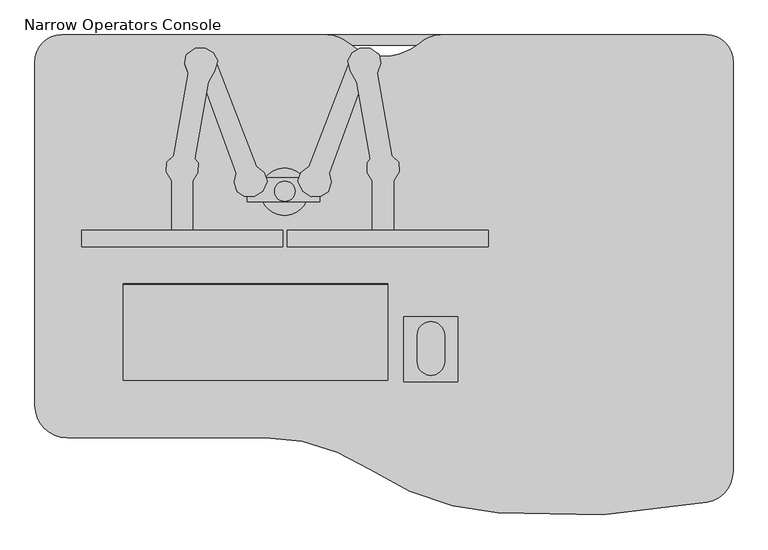
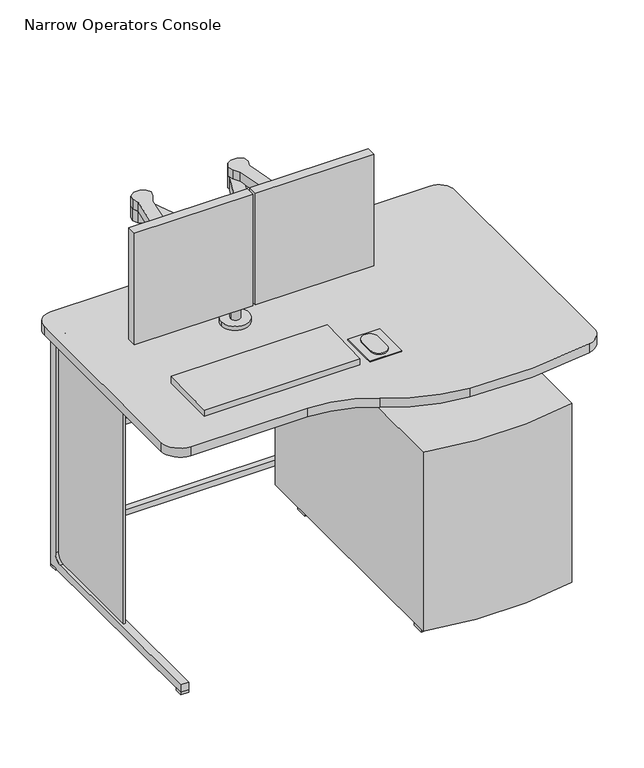
"""IFC4 building model written with IfcOpenShell, lengths in millimetres: proxy geometry, Narrow Operators Console."""

from ifc_helpers import new_model, si_unit, point, frame, frame_2d, origin, origin_with_axes, place, context, project, spatial, polyline, circle_curve, trimmed, segment, composite_curve, outline, extrude, source, transform, mapped, element, save
from ifc_brep_helpers import plane_surface, cylinder_surface, revolved_surface, advanced_brep


def narrow_operators_console_09f1cd63(model_context):
    return source(origin(), model_context, "Body", "SolidModel", [
        advanced_brep(
        [(1249.99999, -127.1247, 850.0345549), (755.83009, -127.1247, 850.0345549), (716.143822, -142.1246985, 850.0345549), (583.8179801, -142.0909695, 850.0345549), (544.16999, -127.1247, 850.0345549), (50.0, -127.1247, 850.0345549), (0.0, -177.1247, 850.0345549), (0.0, -817.1247, 850.0345549), (60.0, -877.1247, 850.0345549), (429.30684, -877.1247, 850.0345549), (623.5856666, -935.9963133, 850.0345549), (862.2149998, -1016.6065319, 850.0345549), (1251.0591279, -997.5394888, 850.0345549), (1299.99999, -938.5675, 850.0345549), (1299.99999, -177.1247, 850.0345549), (1249.99999, -127.1247, 820.42), (1299.99999, -177.1247, 820.42), (1299.99999, -938.5675, 820.42), (1251.0591279, -997.5394888, 820.42), (862.2149998, -1016.6065319, 820.42), (623.5856666, -935.9963133, 820.42), (429.30684, -877.1247, 820.42), (60.0, -877.1247, 820.42), (0.0, -817.1247, 820.42), (0.0, -177.1247, 820.42), (50.0, -127.1247, 820.42), (544.16999, -127.1247, 820.42), (583.8179801, -142.0909695, 820.42), (716.14377, -142.1247024, 820.42), (755.83009, -127.1247, 820.42)],
        [
            (0, 1),
            (1, 2, circle_curve(frame((755.83009, -187.1247, 850.0345549), z_axis=(0.0, 0.0, 1.0), x_axis=(1.0, 0.0, 0.0)), 60.0)),
            (2, 3, circle_curve(frame((649.99999, -67.1247, 850.0345549), z_axis=(0.0, 0.0, -1.0), x_axis=(1.0, 0.0, 0.0)), 100.0)),
            (3, 4, circle_curve(frame((544.16999, -187.1247, 850.0345549), z_axis=(0.0, 0.0, 1.0), x_axis=(1.0, 0.0, 0.0)), 60.0)),
            (4, 5),
            (5, 6, circle_curve(frame((50.0, -177.1247, 850.0345549), z_axis=(0.0, 0.0, 1.0), x_axis=(1.0, 0.0, 0.0)), 50.0)),
            (6, 7),
            (7, 8, circle_curve(frame((60.0, -817.1247, 850.0345549), z_axis=(0.0, 0.0, 1.0), x_axis=(1.0, 0.0, 0.0)), 60.0)),
            (8, 9),
            (9, 10, circle_curve(frame((429.30684, -1227.1247, 850.0345549), z_axis=(0.0, 0.0, -1.0), x_axis=(1.0, 0.0, 0.0)), 350.0)),
            (10, 11, circle_curve(frame((897.76029, -517.8716, 850.0345549), z_axis=(0.0, 0.0, 1.0), x_axis=(1.0, 0.0, 0.0)), 500.0)),
            (11, 12, circle_curve(frame((987.49999, 402.8753, 850.0345549), z_axis=(0.0, 0.0, 1.0), x_axis=(1.0, 0.0, 0.0)), 1425.0)),
            (12, 13, circle_curve(frame((1239.99999, -938.5675, 850.0345549), z_axis=(0.0, 0.0, 1.0), x_axis=(1.0, 0.0, 0.0)), 60.0)),
            (13, 14),
            (14, 0, circle_curve(frame((1249.99999, -177.1247, 850.0345549), z_axis=(0.0, 0.0, 1.0), x_axis=(1.0, 0.0, 0.0)), 50.0)),
            (15, 16, circle_curve(frame((1249.99999, -177.1247, 820.42), z_axis=(0.0, 0.0, -1.0), x_axis=(1.0, 0.0, 0.0)), 50.0)),
            (16, 17),
            (17, 18, circle_curve(frame((1239.99999, -938.5675, 820.42), z_axis=(0.0, 0.0, -1.0), x_axis=(1.0, 0.0, 0.0)), 60.0)),
            (18, 19, circle_curve(frame((987.49999, 402.8753, 820.42), z_axis=(0.0, 0.0, -1.0), x_axis=(1.0, 0.0, 0.0)), 1425.0)),
            (19, 20, circle_curve(frame((897.76029, -517.8716, 820.42), z_axis=(0.0, 0.0, -1.0), x_axis=(1.0, 0.0, 0.0)), 500.0)),
            (20, 21, circle_curve(frame((429.30684, -1227.1247, 820.42), z_axis=(0.0, 0.0, 1.0), x_axis=(1.0, 0.0, 0.0)), 350.0)),
            (21, 22),
            (22, 23, circle_curve(frame((60.0, -817.1247, 820.42), z_axis=(0.0, 0.0, -1.0), x_axis=(1.0, 0.0, 0.0)), 60.0)),
            (23, 24),
            (24, 25, circle_curve(frame((50.0, -177.1247, 820.42), z_axis=(0.0, 0.0, -1.0), x_axis=(1.0, 0.0, 0.0)), 50.0)),
            (25, 26),
            (26, 27, circle_curve(frame((544.16999, -187.1247, 820.42), z_axis=(0.0, 0.0, -1.0), x_axis=(1.0, 0.0, 0.0)), 60.0)),
            (27, 28, circle_curve(frame((649.99999, -67.1247, 820.42), z_axis=(0.0, 0.0, 1.0), x_axis=(1.0, 0.0, 0.0)), 100.0)),
            (28, 29, circle_curve(frame((755.83009, -187.1247, 820.42), z_axis=(0.0, 0.0, -1.0), x_axis=(1.0, 0.0, 0.0)), 60.0)),
            (29, 15),
            (0, 15),
            (29, 1),
            (28, 2),
            (27, 3),
            (26, 4),
            (25, 5),
            (24, 6),
            (23, 7),
            (22, 8),
            (21, 9),
            (20, 10),
            (19, 11),
            (18, 12),
            (17, 13),
            (16, 14),
        ],
        [
            plane_surface(frame((755.83009, -127.1247, 850.0345549), z_axis=(0.0, 0.0, 1.0), x_axis=(-1.0, 0.0, 0.0))),
            plane_surface(frame((755.83009, -127.1247, 820.42), z_axis=(0.0, 0.0, -1.0), x_axis=(1.0, 0.0, 0.0))),
            plane_surface(frame((1249.99999, -127.1247, 850.0345549), z_axis=(0.0, 1.0, 0.0), x_axis=(0.0, 0.0, -1.0))),
            cylinder_surface(frame((755.83009, -187.1247, 820.42), z_axis=(0.0, 0.0, 1.0), x_axis=(1.0, 0.0, 0.0)), 60.0),
            revolved_surface(polyline([(749.99999, -67.1247, 820.42), (749.99999, -67.1247, 850.0345549)]), (649.99999, -67.1247, 820.42), (0.0, 0.0, -1.0)),
            cylinder_surface(frame((544.16999, -187.1247, 820.42), z_axis=(0.0, 0.0, 1.0), x_axis=(1.0, 0.0, 0.0)), 60.0),
            plane_surface(frame((544.16999, -127.1247, 850.0345549), z_axis=(0.0, 1.0, 0.0), x_axis=(0.0, 0.0, -1.0))),
            cylinder_surface(frame((50.0, -177.1247, 820.42), z_axis=(0.0, 0.0, 1.0), x_axis=(1.0, 0.0, 0.0)), 50.0),
            plane_surface(frame((0.0, -177.1247, 850.0345549), z_axis=(-1.0, 0.0, 0.0), x_axis=(0.0, 0.0, -1.0))),
            cylinder_surface(frame((60.0, -817.1247, 820.42), z_axis=(0.0, 0.0, 1.0), x_axis=(1.0, 0.0, 0.0)), 60.0),
            plane_surface(frame((60.0, -877.1247, 850.0345549), z_axis=(0.0, -1.0, 0.0), x_axis=(0.0, 0.0, -1.0))),
            revolved_surface(polyline([(779.30684, -1227.1247, 820.42), (779.30684, -1227.1247, 850.0345549)]), (429.30684, -1227.1247, 820.42), (0.0, 0.0, -1.0)),
            cylinder_surface(frame((897.76029, -517.8716, 820.42), z_axis=(0.0, 0.0, 1.0), x_axis=(1.0, 0.0, 0.0)), 500.0),
            cylinder_surface(frame((987.49999, 402.8753, 820.42), z_axis=(0.0, 0.0, 1.0), x_axis=(1.0, 0.0, 0.0)), 1425.0),
            cylinder_surface(frame((1239.99999, -938.5675, 820.42), z_axis=(0.0, 0.0, 1.0), x_axis=(1.0, 0.0, 0.0)), 60.0),
            plane_surface(frame((1299.99999, -938.5675, 850.0345549), z_axis=(1.0, 0.0, 0.0), x_axis=(0.0, 0.0, -1.0))),
            cylinder_surface(frame((1249.99999, -177.1247, 820.42), z_axis=(0.0, 0.0, 1.0), x_axis=(1.0, 0.0, 0.0)), 50.0),
        ],
        [
            (0, [[1, 2, 3, 4, 5, 6, 7, 8, 9, 10, 11, 12, 13, 14, 15]]),
            (1, [[16, 17, 18, 19, 20, 21, 22, 23, 24, 25, 26, 27, 28, 29, 30]]),
            (2, [[-1, 31, -30, 32]]),
            (3, [[-2, -32, -29, 33]]),
            (4, [[-3, -33, -28, 34]]),
            (5, [[-4, -34, -27, 35]]),
            (6, [[-5, -35, -26, 36]]),
            (7, [[-6, -36, -25, 37]]),
            (8, [[-7, -37, -24, 38]]),
            (9, [[-8, -38, -23, 39]]),
            (10, [[-9, -39, -22, 40]]),
            (11, [[-10, -40, -21, 41]]),
            (12, [[-11, -41, -20, 42]]),
            (13, [[-12, -42, -19, 43]]),
            (14, [[-13, -43, -18, 44]]),
            (15, [[-14, -44, -17, 45]]),
            (16, [[-15, -45, -16, -31]]),
        ],
    ),
        extrude(outline(composite_curve([segment(trimmed(circle_curve(frame_2d((465.2956382, -418.208129)), 19.05), [point((446.2456382, -418.208129))], [point((484.3456382, -418.208129))], False, "CARTESIAN"), True, "CONTINUOUS"), segment(trimmed(circle_curve(frame_2d((465.2956382, -418.208129)), 19.05), [point((484.3456382, -418.208129))], [point((446.2456382, -418.208129))], False, "CARTESIAN"), True, "CONTINUOUS")], self_intersect=False)), frame((0.0, 0.0, 1137.5971263), z_axis=(0.0, 0.0, 1.0), x_axis=(1.0, 0.0, 0.0)), (0.0, 0.0, 1.0), 24.6562514),
        extrude(outline(polyline([(510.7533676, -371.3020549), (584.156147, -180.7283233), (582.6836504, -175.0888251), (590.6745024, -160.6438235), (605.5079042, -151.5621489), (624.5486092, -152.157171), (639.9356216, -162.9850686), (643.3771115, -180.5053807), (637.6650035, -196.2016775), (622.2795936, -208.5703403), (612.0768343, -208.5703403), (548.1610307, -384.8774165), (551.7811271, -401.7711998), (546.0493078, -419.2683326), (532.4739462, -427.7152242), (514.9768134, -428.3185737), (498.3847048, -417.7599591), (489.6558497, -399.3670145), (495.3679578, -383.6707177), (510.7533676, -371.3020549)])), frame((0.0, 0.0, 1107.3793916), z_axis=(0.0, 0.0, 1.0), x_axis=(1.0, 0.0, 0.0)), (0.0, 0.0, 1.0), 39.2906989),
        extrude(outline(polyline([(668.276634, -398.9166578), (668.276634, -490.927442), (628.4555733, -490.927442), (628.4555733, -398.9166578), (619.1036575, -383.531248), (618.8019828, -365.4307658), (624.824874, -358.1302916), (599.6131866, -214.791934), (587.5526417, -193.7365202), (582.6010185, -174.7723538), (590.4445607, -160.5936428), (605.2266212, -151.5434017), (624.5338021, -152.1467511), (640.8242361, -163.6103898), (644.0194418, -179.8768921), (637.2032709, -198.6070426), (664.4793843, -351.6563457), (677.6285498, -364.5257417), (678.2318992, -382.0228744), (668.276634, -398.9166578)])), frame((0.0, 0.0, 1146.6700905), z_axis=(0.0, 0.0, 1.0), x_axis=(1.0, 0.0, 0.0)), (0.0, 0.0, 1.0), 31.6242211),
        extrude(outline(polyline([(411.9022086, -371.3020549), (427.2876184, -383.6707177), (432.9997264, -399.3670145), (424.2708714, -417.7599591), (407.6787627, -428.3185737), (390.18163, -427.7152242), (376.6062684, -419.2683326), (370.874449, -401.7711998), (374.4945455, -384.8774165), (310.5787419, -208.5703403), (300.3759825, -208.5703403), (284.9905727, -196.2016775), (279.2784647, -180.5053807), (282.7199545, -162.9850686), (298.1069669, -152.157171), (317.147672, -151.5621489), (331.9810737, -160.6438235), (339.9719257, -175.0888251), (338.4994291, -180.7283233), (411.9022086, -371.3020549)])), frame((0.0, 0.0, 1107.3793916), z_axis=(0.0, 0.0, 1.0), x_axis=(1.0, 0.0, 0.0)), (0.0, 0.0, 1.0), 39.2906989),
        extrude(outline(polyline([(254.3789422, -398.9166578), (244.423677, -382.0228744), (245.0270264, -364.5257417), (258.1761919, -351.6563457), (285.4523053, -198.6070426), (278.6361343, -179.8768921), (281.8313401, -163.6103898), (298.121774, -152.1467511), (317.428955, -151.5434017), (332.2110154, -160.5936428), (340.0545577, -174.7723538), (335.1029345, -193.7365202), (323.0423896, -214.791934), (297.8307022, -358.1302916), (303.8535934, -365.4307658), (303.5519187, -383.531248), (294.2000029, -398.9166578), (294.2000029, -490.927442), (254.3789422, -490.927442), (254.3789422, -398.9166578)])), frame((0.0, 0.0, 1146.6700905), z_axis=(0.0, 0.0, 1.0), x_axis=(1.0, 0.0, 0.0)), (0.0, 0.0, 1.0), 31.6242211),
        extrude(outline(polyline([(530.3937119, -438.1336983), (395.226634, -438.1336983), (395.226634, -392.7217583), (530.3937119, -392.7217583), (530.3937119, -438.1336983)])), frame((0.0, 0.0, 1119.8374181), z_axis=(0.0, 0.0, 1.0), x_axis=(1.0, 0.0, 0.0)), (0.0, 0.0, 1.0), 17.7597082),
        extrude(outline(composite_curve([segment(trimmed(circle_curve(frame_2d((465.5020502, -419.388992)), 15.0274611), [point((480.5295113, -419.388992))], [point((450.474589, -419.388992))], False, "CARTESIAN"), True, "CONTINUOUS"), segment(trimmed(circle_curve(frame_2d((465.5020502, -419.388992)), 15.0274611), [point((450.474589, -419.388992))], [point((480.5295113, -419.388992))], False, "CARTESIAN"), True, "CONTINUOUS")], self_intersect=False)), frame((0.0, 0.0, 864.0228857), z_axis=(0.0, 0.0, 1.0), x_axis=(1.0, 0.0, 0.0)), (0.0, 0.0, 1.0), 282.6472048),
        extrude(outline(composite_curve([segment(trimmed(circle_curve(frame_2d((464.8093204, -418.9690674)), 44.1783279), [point((508.9876483, -418.9690674))], [point((420.6309925, -418.9690674))], False, "CARTESIAN"), True, "CONTINUOUS"), segment(trimmed(circle_curve(frame_2d((464.8093204, -418.9690674)), 44.1783279), [point((420.6309925, -418.9690674))], [point((508.9876483, -418.9690674))], False, "CARTESIAN"), True, "CONTINUOUS")], self_intersect=False)), frame((0.0, 0.0, 850.0345549), z_axis=(0.0, 0.0, 1.0), x_axis=(1.0, 0.0, 0.0)), (0.0, 0.0, 1.0), 13.9883308),
        extrude(outline(polyline([(87.251157, -521.4608822), (87.251157, -491.293412), (461.3277881, -491.293412), (461.3277881, -521.4608822), (87.251157, -521.4608822)])), frame((0.0, 0.0, 965.9634254), z_axis=(0.0, 0.0, 1.0), x_axis=(1.0, 0.0, 0.0)), (0.0, 0.0, 1.0), 372.8798503),
        extrude(outline(polyline([(470.0763544, -491.293412), (843.8513108, -491.293412), (843.8513108, -521.4608822), (470.0763544, -521.4608822), (470.0763544, -491.293412)])), frame((0.0, 0.0, 965.9634254), z_axis=(0.0, 0.0, 1.0), x_axis=(1.0, 0.0, 0.0)), (0.0, 0.0, 1.0), 372.8798503),
        extrude(outline(composite_curve([segment(trimmed(circle_curve(frame_2d((737.2731212, -735.4237433)), 25.4), [point((762.6731212, -735.4237433))], [point((711.8731212, -735.4237433))], False, "CARTESIAN"), True, "CONTINUOUS"), segment(polyline([(711.8731212, -735.4237433), (711.8731212, -686.3075037)]), True, "CONTINUOUS"), segment(trimmed(circle_curve(frame_2d((737.2731212, -686.3075037)), 25.4), [point((711.8731212, -686.3075037))], [point((762.6731212, -686.3075037))], False, "CARTESIAN"), True, "CONTINUOUS"), segment(polyline([(762.6731212, -686.3075037), (762.6731212, -735.4237433)]), True, "CONTINUOUS")], self_intersect=False)), frame((0.0, 0.0, 853.0398703), z_axis=(0.0, 0.0, 1.0), x_axis=(1.0, 0.0, 0.0)), (0.0, 0.0, 1.0), 4.6445578),
        extrude(outline(polyline([(787.6109239, -651.8761639), (787.6109239, -772.9122926), (686.5741145, -772.9122926), (686.5741145, -651.8761639), (787.6109239, -651.8761639)])), frame((0.0, 0.0, 847.1754789), z_axis=(0.0, 0.0, 1.0), x_axis=(1.0, 0.0, 0.0)), (0.0, 0.0, 1.0), 5.8643915),
        extrude(outline(polyline([(556.5913044, 0.0), (556.5913044, -179.556892), (64.2033836, -179.556892), (64.2033836, 0.0), (556.5913044, 0.0)])), frame((100.0989364, -590.3493914, 852.6135825), z_axis=(0.0, -0.023626480133413532, 0.9997208557574987), x_axis=(1.0, 0.0, 0.0)), (0.0, 0.0, 1.0), 23.0517179),
        extrude(outline(polyline([(76.2, -127.1247), (1223.79999, -127.1247), (1223.79999, -146.1747), (76.2, -146.1747), (76.2, -127.1247)])), frame((0.0, 0.0, 101.6), z_axis=(0.0, 0.0, 1.0), x_axis=(1.0, 0.0, 0.0)), (0.0, 0.0, 1.0), 19.1616821),
        extrude(outline(polyline([(76.2, -127.1247), (1223.79999, -127.1247), (1223.79999, -146.1747), (76.2, -146.1747), (76.2, -127.1247)])), frame((0.0, 0.0, 406.4), z_axis=(0.0, 0.0, 1.0), x_axis=(1.0, 0.0, 0.0)), (0.0, 0.0, 1.0), 19.1616821),
        extrude(outline(composite_curve([segment(polyline([(-508.1247, 33.02), (-508.1247, 795.02), (-177.9247, 795.02)]), True, "CONTINUOUS"), segment(trimmed(circle_curve(frame_2d((-177.9247, 769.62)), 25.4), [point((-177.9247, 795.02))], [point((-152.5247, 769.62))], False, "CARTESIAN"), True, "CONTINUOUS"), segment(polyline([(-152.5247, 769.62), (-152.5247, 58.42)]), True, "CONTINUOUS"), segment(trimmed(circle_curve(frame_2d((-177.9247, 58.42)), 25.4), [point((-152.5247, 58.42))], [point((-177.9247, 33.02))], False, "CARTESIAN"), True, "CONTINUOUS"), segment(polyline([(-177.9247, 33.02), (-508.1247, 33.02)]), True, "CONTINUOUS")], self_intersect=False)), frame((60.325, 0.0, 0.0), z_axis=(1.0, 0.0, 0.0), x_axis=(0.0, 1.0, 0.0)), (0.0, 0.0, 1.0), 6.35),
        extrude(outline(composite_curve([segment(polyline([(-508.1247, 33.02), (-508.1247, 795.02), (-177.9247, 795.02)]), True, "CONTINUOUS"), segment(trimmed(circle_curve(frame_2d((-177.9247, 769.62)), 25.4), [point((-177.9247, 795.02))], [point((-152.5247, 769.62))], False, "CARTESIAN"), True, "CONTINUOUS"), segment(polyline([(-152.5247, 769.62), (-152.5247, 58.42)]), True, "CONTINUOUS"), segment(trimmed(circle_curve(frame_2d((-177.9247, 58.42)), 25.4), [point((-152.5247, 58.42))], [point((-177.9247, 33.02))], False, "CARTESIAN"), True, "CONTINUOUS"), segment(polyline([(-177.9247, 33.02), (-508.1247, 33.02)]), True, "CONTINUOUS")], self_intersect=False)), frame((1233.32499, 0.0, 0.0), z_axis=(1.0, 0.0, 0.0), x_axis=(0.0, 1.0, 0.0)), (0.0, 0.0, 1.0), 6.35),
        extrude(outline(polyline([(76.2, -812.9247), (76.2, -838.3247), (50.8, -838.3247), (50.8, -812.9247), (76.2, -812.9247)])), origin_with_axes(), (0.0, 0.0, 1.0), 7.62),
        extrude(outline(polyline([(76.2, -127.1247), (76.2, -152.5247), (50.8, -152.5247), (50.8, -127.1247), (76.2, -127.1247)])), origin_with_axes(), (0.0, 0.0, 1.0), 7.62),
        extrude(outline(polyline([(1223.79999, -838.3247), (1223.79999, -812.9247), (1249.19999, -812.9247), (1249.19999, -838.3247), (1223.79999, -838.3247)])), origin_with_axes(), (0.0, 0.0, 1.0), 7.62),
        extrude(outline(polyline([(1223.79999, -152.5247), (1223.79999, -127.1247), (1249.19999, -127.1247), (1249.19999, -152.5247), (1223.79999, -152.5247)])), origin_with_axes(), (0.0, 0.0, 1.0), 7.62),
        extrude(outline(composite_curve([segment(polyline([(-127.1247, 7.62), (-838.3247, 7.62), (-838.3247, 33.02), (-177.9247, 33.02)]), True, "CONTINUOUS"), segment(trimmed(circle_curve(frame_2d((-177.9247, 58.42)), 25.4), [point((-177.9247, 33.02))], [point((-152.5247, 58.42))], True, "CARTESIAN"), True, "CONTINUOUS"), segment(polyline([(-152.5247, 58.42), (-152.5247, 769.62)]), True, "CONTINUOUS"), segment(trimmed(circle_curve(frame_2d((-177.9247, 769.62)), 25.4), [point((-152.5247, 769.62))], [point((-177.9247, 795.02))], True, "CARTESIAN"), True, "CONTINUOUS"), segment(polyline([(-177.9247, 795.02), (-838.3247, 795.02), (-838.3247, 820.42), (-127.1247, 820.42), (-127.1247, 7.62)]), True, "CONTINUOUS")], self_intersect=False)), frame((50.8, 0.0, 0.0), z_axis=(1.0, 0.0, 0.0), x_axis=(0.0, 1.0, 0.0)), (0.0, 0.0, 1.0), 25.4),
        extrude(outline(composite_curve([segment(polyline([(-127.1247, 7.62), (-838.3247, 7.62), (-838.3247, 33.02), (-177.9247, 33.02)]), True, "CONTINUOUS"), segment(trimmed(circle_curve(frame_2d((-177.9247, 58.42)), 25.4), [point((-177.9247, 33.02))], [point((-152.5247, 58.42))], True, "CARTESIAN"), True, "CONTINUOUS"), segment(polyline([(-152.5247, 58.42), (-152.5247, 769.62)]), True, "CONTINUOUS"), segment(trimmed(circle_curve(frame_2d((-177.9247, 769.62)), 25.4), [point((-152.5247, 769.62))], [point((-177.9247, 795.02))], True, "CARTESIAN"), True, "CONTINUOUS"), segment(polyline([(-177.9247, 795.02), (-838.3247, 795.02), (-838.3247, 820.42), (-127.1247, 820.42), (-127.1247, 7.62)]), True, "CONTINUOUS")], self_intersect=False)), frame((1223.79999, 0.0, 0.0), z_axis=(1.0, 0.0, 0.0), x_axis=(0.0, 1.0, 0.0)), (0.0, 0.0, 1.0), 25.4),
        extrude(outline(polyline([(1160.0589726, -269.0491135), (1160.0589726, -231.4943368), (1194.6796422, -231.4943368), (1194.6796422, -269.0491135), (1160.0589726, -269.0491135)])), origin_with_axes(), (0.0, 0.0, 1.0), 41.0096689),
        extrude(outline(polyline([(1160.0589726, -908.1336552), (1160.0589726, -870.5788785), (1194.6796422, -870.5788785), (1194.6796422, -908.1336552), (1160.0589726, -908.1336552)])), origin_with_axes(), (0.0, 0.0, 1.0), 41.0096689),
        extrude(outline(composite_curve([segment(polyline([(747.99809, -148.9133845), (1217.89809, -148.9133845), (1217.89809, -958.706416)]), True, "CONTINUOUS"), segment(trimmed(circle_curve(frame_2d((982.94809, 115.237334)), 1099.34375), [point((1217.89809, -958.706416))], [point((747.99809, -958.706416))], False, "CARTESIAN"), True, "CONTINUOUS"), segment(polyline([(747.99809, -958.706416), (747.99809, -148.9133845)]), True, "CONTINUOUS")], self_intersect=False)), frame((0.0, 0.0, 41.0096689), z_axis=(0.0, 0.0, 1.0), x_axis=(1.0, 0.0, 0.0)), (0.0, 0.0, 1.0), 598.8163311),
        extrude(outline(polyline([(805.8372074, -231.4943368), (805.8372074, -269.0491135), (771.2165378, -269.0491135), (771.2165378, -231.4943368), (805.8372074, -231.4943368)])), origin_with_axes(), (0.0, 0.0, 1.0), 41.0096689),
        extrude(outline(polyline([(805.8372074, -870.5788785), (805.8372074, -908.1336552), (771.2165378, -908.1336552), (771.2165378, -870.5788785), (805.8372074, -870.5788785)])), origin_with_axes(), (0.0, 0.0, 1.0), 41.0096689),
    ])


if __name__ == "__main__":
    model = new_model("IFC4")
    model_context = context("Model", 3, world=origin())
    ifc_project = project(units=[si_unit("LENGTHUNIT", "METRE", prefix="MILLI")], contexts=[model_context])
    site = spatial("IfcSite", under=ifc_project)
    building = spatial("IfcBuilding", under=site)
    placement = place(None, origin())
    narrow_operators_console_shape = narrow_operators_console_09f1cd63(model_context)
    element("IfcBuildingElementProxy", 1, Name="Narrow Operators Console", ObjectType="Narrow Operators Console", at=placement, inside=building, context=model_context, shape_type="MappedRepresentation", body=[
        mapped(narrow_operators_console_shape, transform((0.0, 0.0, 0.0), x_axis=(1.0, 0.0, 0.0), y_axis=(0.0, 1.0, 0.0), z_axis=(0.0, 0.0, 1.0))),
    ])
    save(model, "model.ifc")
